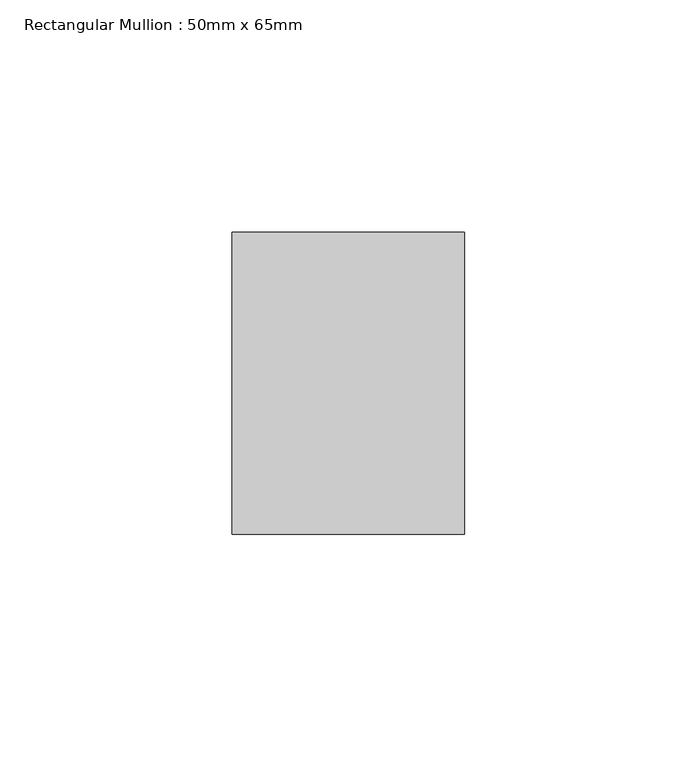
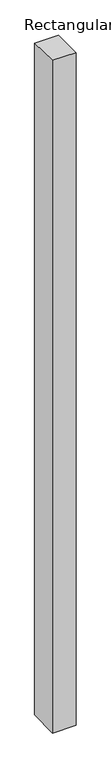
"""IFC4 building model written with IfcOpenShell, lengths in millimetres: member geometry, Rectangular Mullion : 50mm x 65mm."""

from ifc_helpers import new_model, si_unit, frame, origin, place, context, project, spatial, polyline, outline, extrude, source, transform, mapped, element, save


def rectangular_mullion_50mm_x_65mm_95ca39b4(model_context):
    return source(origin(), model_context, "Body", "SweptSolid", [
        extrude(outline(polyline([(-32.5, 0.6022163), (32.5, -0.6022162), (32.5, -1499.4373472), (-32.5, -1500.5647972), (-32.5, 0.6022163)])), frame((-25.0, 0.0, 0.0), z_axis=(1.0, 0.0, 0.0), x_axis=(0.0, 1.0, 0.0)), (0.0, 0.0, 1.0), 50.0),
    ])


if __name__ == "__main__":
    model = new_model("IFC4")
    model_context = context("Model", 3, world=origin())
    ifc_project = project(units=[si_unit("LENGTHUNIT", "METRE", prefix="MILLI")], contexts=[model_context])
    site = spatial("IfcSite", under=ifc_project)
    building = spatial("IfcBuilding", under=site)
    placement = place(None, origin())
    rectangular_mullion_50mm_x_65mm_shape = rectangular_mullion_50mm_x_65mm_95ca39b4(model_context)
    element("IfcMember", 1, ObjectType="Rectangular Mullion : 50mm x 65mm", at=placement, inside=building, context=model_context, shape_type="MappedRepresentation", body=[
        mapped(rectangular_mullion_50mm_x_65mm_shape, transform((0.0, 0.0, 0.0), x_axis=(1.0, 0.0, 0.0), y_axis=(0.0, 1.0, 0.0), z_axis=(0.0, 0.0, 1.0))),
    ])
    save(model, "model.ifc")
